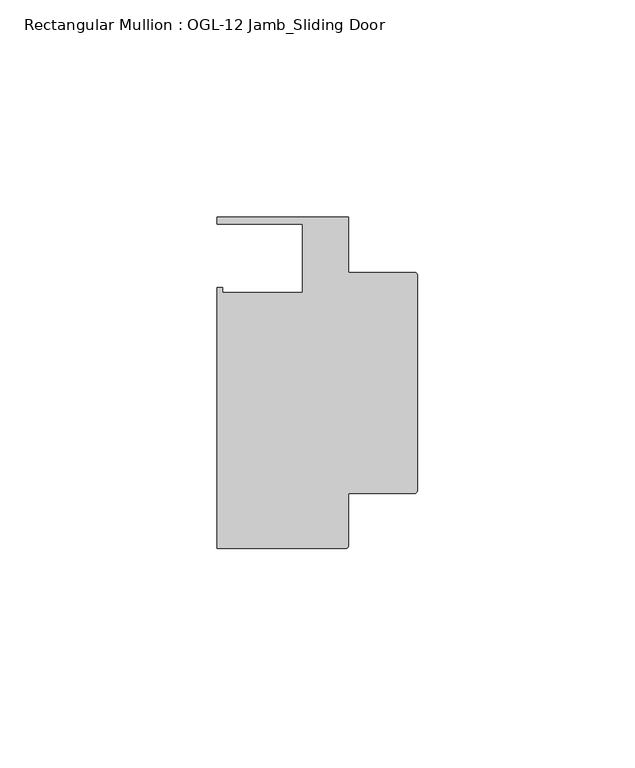
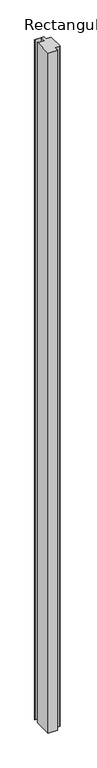
"""IFC4 building model written with IfcOpenShell, lengths in millimetres: member geometry, Rectangular Mullion : OGL-12 Jamb_Sliding Door."""

from ifc_helpers import new_model, si_unit, point, frame, frame_2d, origin, place, context, project, spatial, polyline, circle_curve, trimmed, segment, composite_curve, outline, extrude, source, transform, mapped, element, save


def rectangular_mullion_ogl_12_jamb_sliding_door_54bff22a(model_context):
    return source(origin(), model_context, "Body", "SweptSolid", [
        extrude(outline(composite_curve([segment(polyline([(-0.5953125, -25.4), (-15.8750672, -25.4), (-15.8750672, -37.5043667)]), True, "CONTINUOUS"), segment(trimmed(circle_curve(frame_2d((-16.4703797, -37.5043667)), 0.5953125), [point((-15.8750672, -37.5043667))], [point((-16.4703797, -38.0996792))], False, "CARTESIAN"), True, "CONTINUOUS"), segment(polyline([(-16.4703797, -38.0996792), (-46.0339598, -38.0996792), (-46.0339598, 21.9710976), (-44.7780305, 21.9710976), (-44.7780305, 20.8257348), (-26.3720794, 20.8257348), (-26.3720794, 36.512516), (-46.0248655, 36.512516), (-46.0248655, 38.100016), (-15.8750672, 38.100016), (-15.8750672, 25.4), (-0.5953125, 25.4)]), True, "CONTINUOUS"), segment(trimmed(circle_curve(frame_2d((-0.5953125, 24.8046875)), 0.5953125), [point((-0.5953125, 25.4))], [point((0.0, 24.8046875))], False, "CARTESIAN"), True, "CONTINUOUS"), segment(polyline([(0.0, 24.8046875), (0.0, -24.8046875)]), True, "CONTINUOUS"), segment(trimmed(circle_curve(frame_2d((-0.5953125, -24.8046875)), 0.5953125), [point((0.0, -24.8046875))], [point((-0.5953125, -25.4))], False, "CARTESIAN"), True, "CONTINUOUS")], self_intersect=False)), frame((0.0, 0.0, -2339.914687), z_axis=(0.0, 0.0, 1.0), x_axis=(1.0, 0.0, 0.0)), (0.0, 0.0, 1.0), 2339.914687),
    ])


if __name__ == "__main__":
    model = new_model("IFC4")
    model_context = context("Model", 3, world=origin())
    ifc_project = project(units=[si_unit("LENGTHUNIT", "METRE", prefix="MILLI")], contexts=[model_context])
    site = spatial("IfcSite", under=ifc_project)
    building = spatial("IfcBuilding", under=site)
    placement = place(None, origin())
    rectangular_mullion_ogl_12_jamb_sliding_door_shape = rectangular_mullion_ogl_12_jamb_sliding_door_54bff22a(model_context)
    element("IfcMember", 1, ObjectType="Rectangular Mullion : OGL-12 Jamb_Sliding Door", at=placement, inside=building, context=model_context, shape_type="MappedRepresentation", body=[
        mapped(rectangular_mullion_ogl_12_jamb_sliding_door_shape, transform((0.0, 0.0, 0.0), x_axis=(1.0, 0.0, 0.0), y_axis=(0.0, 1.0, 0.0), z_axis=(0.0, 0.0, 1.0))),
    ])
    save(model, "model.ifc")
